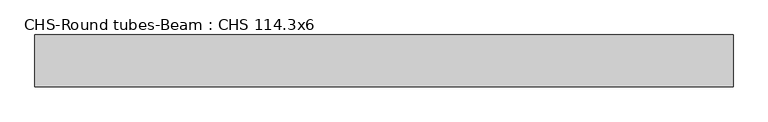
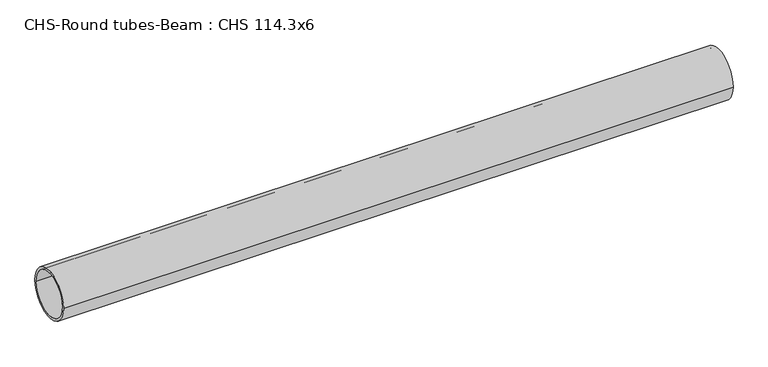
"""IFC4 building model written with IfcOpenShell, lengths in millimetres: beam geometry, CHS-Round tubes-Beam : CHS 114.3x6."""

from ifc_helpers import new_model, si_unit, point, frame, origin, origin_2d, place, context, project, spatial, circle_curve, trimmed, segment, composite_curve, outline, extrude, source, transform, mapped, element, save


def chs_round_tubes_beam_chs_114_3x6_888a06d9(model_context):
    return source(origin(), model_context, "Body", "SweptSolid", [
        extrude(outline(composite_curve([segment(trimmed(circle_curve(origin_2d(), 57.15), [point((57.15, 0.0))], [point((-57.15, 0.0))], False, "CARTESIAN"), True, "CONTINUOUS"), segment(trimmed(circle_curve(origin_2d(), 57.15), [point((-57.15, 0.0))], [point((57.15, 0.0))], False, "CARTESIAN"), True, "CONTINUOUS")], self_intersect=False), holes=[composite_curve([segment(trimmed(circle_curve(origin_2d(), 51.15), [point((51.15, 0.0))], [point((-51.15, 0.0))], True, "CARTESIAN"), True, "CONTINUOUS"), segment(trimmed(circle_curve(origin_2d(), 51.15), [point((-51.15, 0.0))], [point((51.15, 0.0))], True, "CARTESIAN"), True, "CONTINUOUS")], self_intersect=False)]), frame((-757.6804769, 0.0, 0.0), z_axis=(1.0, 0.0, 0.0), x_axis=(0.0, 1.0, 0.0)), (0.0, 0.0, 1.0), 1536.2429116),
    ])


if __name__ == "__main__":
    model = new_model("IFC4")
    model_context = context("Model", 3, world=origin())
    ifc_project = project(units=[si_unit("LENGTHUNIT", "METRE", prefix="MILLI")], contexts=[model_context])
    site = spatial("IfcSite", under=ifc_project)
    building = spatial("IfcBuilding", under=site)
    placement = place(None, origin())
    chs_round_tubes_beam_chs_114_3x6_shape = chs_round_tubes_beam_chs_114_3x6_888a06d9(model_context)
    element("IfcBeam", 1, ObjectType="CHS-Round tubes-Beam : CHS 114.3x6", at=placement, inside=building, context=model_context, shape_type="MappedRepresentation", body=[
        mapped(chs_round_tubes_beam_chs_114_3x6_shape, transform((0.0, 0.0, 0.0), x_axis=(1.0, 0.0, 0.0), y_axis=(0.0, 1.0, 0.0), z_axis=(0.0, 0.0, 1.0))),
    ])
    save(model, "model.ifc")
